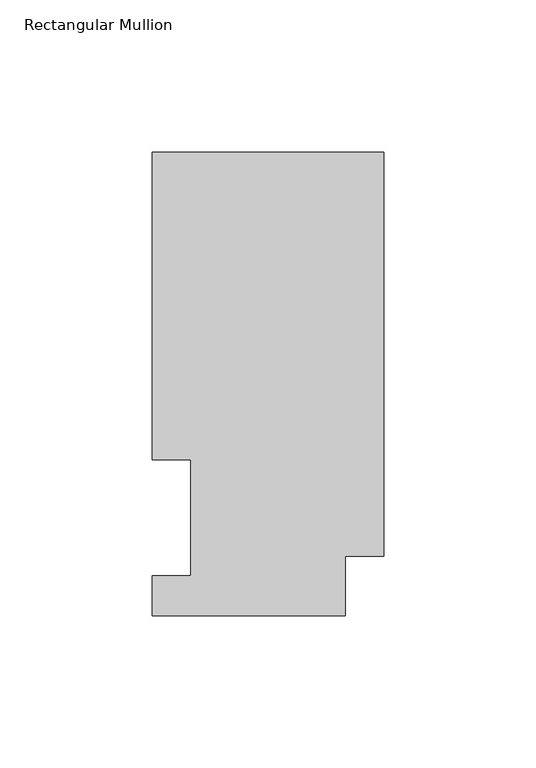
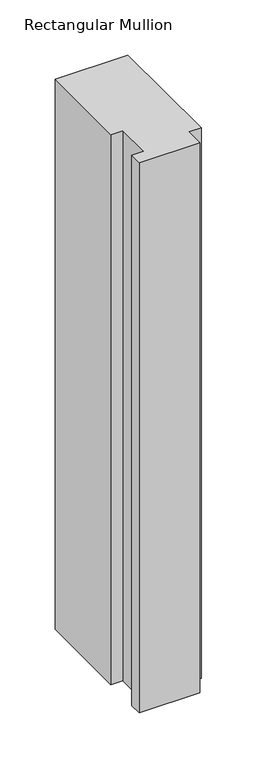
"""IFC4 building model written with IfcOpenShell, lengths in millimetres: member geometry, Rectangular Mullion."""

from ifc_helpers import new_model, si_unit, frame, origin, place, context, project, spatial, polyline, outline, extrude, source, transform, mapped, element, save


def rectangular_mullion_0b07559f(model_context):
    return source(origin(), model_context, "Body", "SweptSolid", [
        extrude(outline(polyline([(-76.2, 13.1960938), (-63.5127, 13.1960938), (-63.5127, 51.2960937), (-76.2, 51.2960937), (-76.2, 152.4896938), (0.0, 152.4896938), (0.0, 19.5460937), (-12.7, 19.5460937), (-12.7, 0.0134938), (-76.2, 0.0134938), (-76.2, 13.1960938)])), frame((0.0, 0.0, -609.6), z_axis=(0.0, 0.0, 1.0), x_axis=(1.0, 0.0, 0.0)), (0.0, 0.0, 1.0), 609.6),
    ])


if __name__ == "__main__":
    model = new_model("IFC4")
    model_context = context("Model", 3, world=origin())
    ifc_project = project(units=[si_unit("LENGTHUNIT", "METRE", prefix="MILLI")], contexts=[model_context])
    site = spatial("IfcSite", under=ifc_project)
    building = spatial("IfcBuilding", under=site)
    placement = place(None, origin())
    rectangular_mullion_shape = rectangular_mullion_0b07559f(model_context)
    element("IfcMember", 1, ObjectType="Rectangular Mullion", at=placement, inside=building, context=model_context, shape_type="MappedRepresentation", body=[
        mapped(rectangular_mullion_shape, transform((0.0, 0.0, 0.0), x_axis=(1.0, 0.0, 0.0), y_axis=(0.0, 1.0, 0.0), z_axis=(0.0, 0.0, 1.0))),
    ])
    save(model, "model.ifc")
